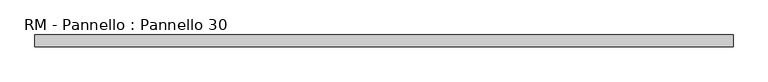
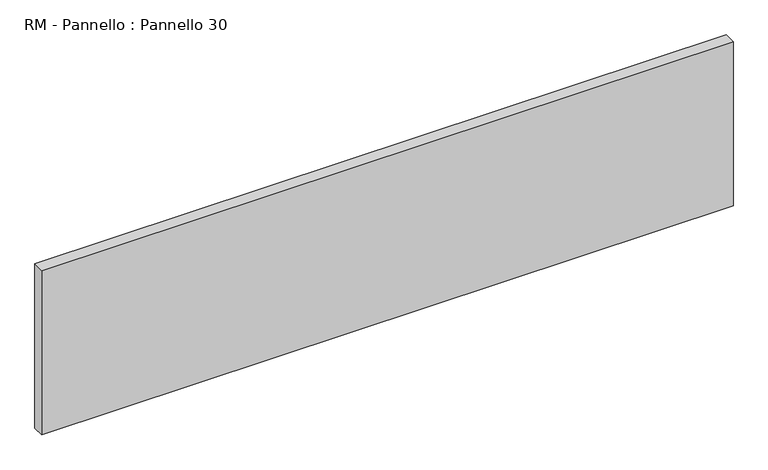
"""IFC4 building model written with IfcOpenShell, lengths in millimetres: plate geometry, RM - Pannello : Pannello 30."""

from ifc_helpers import new_model, si_unit, origin, origin_with_axes, place, context, project, spatial, polyline, outline, extrude, source, transform, mapped, element, save


def rm_pannello_pannello_30_105049e4(model_context):
    return source(origin(), model_context, "Body", "SweptSolid", [
        extrude(outline(polyline([(597.0, -200.0), (-597.0, -200.0), (-597.0, -180.0), (597.0, -180.0), (597.0, -200.0)])), origin_with_axes(), (0.0, 0.0, 1.0), 300.0),
    ])


if __name__ == "__main__":
    model = new_model("IFC4")
    model_context = context("Model", 3, world=origin())
    ifc_project = project(units=[si_unit("LENGTHUNIT", "METRE", prefix="MILLI")], contexts=[model_context])
    site = spatial("IfcSite", under=ifc_project)
    building = spatial("IfcBuilding", under=site)
    placement = place(None, origin())
    rm_pannello_pannello_30_shape = rm_pannello_pannello_30_105049e4(model_context)
    element("IfcPlate", 1, ObjectType="RM - Pannello : Pannello 30", at=placement, inside=building, context=model_context, shape_type="MappedRepresentation", body=[
        mapped(rm_pannello_pannello_30_shape, transform((0.0, 0.0, 0.0), x_axis=(1.0, 0.0, 0.0), y_axis=(0.0, 1.0, 0.0), z_axis=(0.0, 0.0, 1.0))),
    ])
    save(model, "model.ifc")
